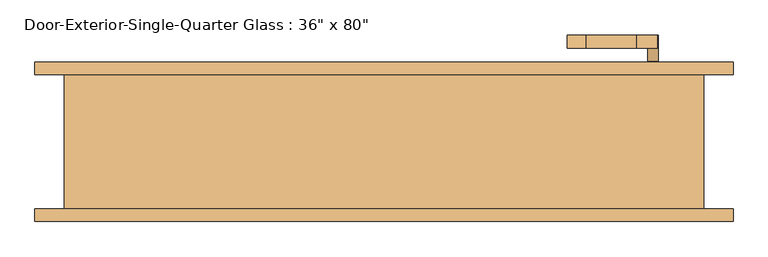
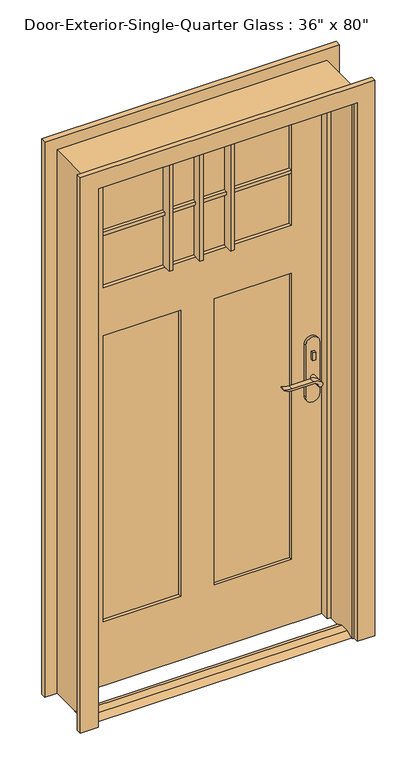
"""IFC4 building model written with IfcOpenShell, lengths in millimetres: door geometry."""

from ifc_helpers import new_model, si_unit, point, frame, frame_2d, origin, place, context, project, spatial, polyline, circle_curve, trimmed, segment, composite_curve, outline, extrude, faceted_brep, source, transform, mapped, element, save


def door_daf617d5(model_context):
    return source(origin(), model_context, "Body", "SolidModel", [
        extrude(outline(polyline([(-38.1, 12.7), (-12.7, 0.0), (-98.425, 0.0), (-73.025, 12.7), (-38.1, 12.7)])), frame((-482.6, 0.0, 0.0), z_axis=(1.0, 0.0, 0.0), x_axis=(0.0, 1.0, 0.0)), (0.0, 0.0, 1.0), 965.2),
        extrude(outline(polyline([(411.4, 43.5), (401.4, 43.5), (401.4, 53.5), (411.4, 53.5), (411.4, 43.5)])), frame((0.0, 0.0, 981.9), z_axis=(0.0, 0.0, 1.0), x_axis=(1.0, 0.0, 0.0)), (0.0, 0.0, 1.0), 30.0),
        extrude(outline(composite_curve([segment(trimmed(circle_curve(frame_2d((996.9, 406.4)), 8.0), [point((996.9, 398.4))], [point((996.9, 414.4))], False, "CARTESIAN"), True, "CONTINUOUS"), segment(trimmed(circle_curve(frame_2d((996.9, 406.4)), 8.0), [point((996.9, 414.4))], [point((996.9, 398.4))], False, "CARTESIAN"), True, "CONTINUOUS")], self_intersect=False)), frame((0.0, 108.425, 0.0), z_axis=(0.0, 1.0, 0.0), x_axis=(0.0, 0.0, 1.0)), (0.0, 0.0, 1.0), 10.0),
        extrude(outline(composite_curve([segment(trimmed(circle_curve(frame_2d((897.1555521, 382.7324871)), 37.2832219), [point((919.0523287, 412.9081363))], [point((934.4, 381.0325667))], False, "CARTESIAN"), True, "CONTINUOUS"), segment(polyline([(934.4, 381.0325667), (934.4, 304.7564091)]), True, "CONTINUOUS"), segment(trimmed(circle_curve(frame_2d((1017.6850638, 304.8227909)), 83.2850902), [point((934.4, 304.7564091))], [point((939.4, 276.4))], True, "CARTESIAN"), True, "CONTINUOUS"), segment(polyline([(939.4, 276.4), (936.6135558, 276.4)]), True, "CONTINUOUS"), segment(trimmed(circle_curve(frame_2d((986.6709207, 308.3396612)), 59.3791355), [point((936.6135558, 276.4))], [point((927.4, 304.7564091))], False, "CARTESIAN"), True, "CONTINUOUS"), segment(polyline([(927.4, 304.7564091), (927.4, 381.0138099)]), True, "CONTINUOUS"), segment(trimmed(circle_curve(frame_2d((909.2738613, 381.0138099)), 18.1261387), [point((927.4, 381.0138099))], [point((914.4, 398.4))], True, "CARTESIAN"), True, "CONTINUOUS"), segment(trimmed(circle_curve(frame_2d((914.4, 406.4)), 8.0), [point((914.4, 398.4))], [point((919.0523287, 412.9081363))], False, "CARTESIAN"), True, "CONTINUOUS")], self_intersect=False)), frame((0.0, 3.5, 0.0), z_axis=(0.0, 1.0, 0.0), x_axis=(0.0, 0.0, 1.0)), (0.0, 0.0, 1.0), 20.0),
        extrude(outline(composite_curve([segment(trimmed(circle_curve(frame_2d((914.4, 406.4)), 8.0), [point((914.3999903, 398.4))], [point((919.0523287, 412.9081363))], False, "CARTESIAN"), True, "CONTINUOUS"), segment(trimmed(circle_curve(frame_2d((897.1555521, 382.7324871)), 37.2832219), [point((919.0523287, 412.9081363))], [point((934.4, 381.0325667))], False, "CARTESIAN"), True, "CONTINUOUS"), segment(polyline([(934.4, 381.0325667), (934.4, 304.7564091)]), True, "CONTINUOUS"), segment(trimmed(circle_curve(frame_2d((1017.6850638, 304.8227909)), 83.2850902), [point((934.4, 304.7564091))], [point((939.4, 276.4))], True, "CARTESIAN"), True, "CONTINUOUS"), segment(polyline([(939.4, 276.4), (936.6135558, 276.4)]), True, "CONTINUOUS"), segment(trimmed(circle_curve(frame_2d((986.6709207, 308.3396612)), 59.3791355), [point((936.6135558, 276.4))], [point((927.4, 304.7564091))], False, "CARTESIAN"), True, "CONTINUOUS"), segment(polyline([(927.4, 304.7564091), (927.4, 381.0138122)]), True, "CONTINUOUS"), segment(trimmed(circle_curve(frame_2d((909.2738682, 381.0138122)), 18.1261318), [point((927.4, 381.0138122))], [point((914.3999903, 398.4))], True, "CARTESIAN"), True, "CONTINUOUS")], self_intersect=False)), frame((0.0, 138.425, 0.0), z_axis=(0.0, 1.0, 0.0), x_axis=(0.0, 0.0, 1.0)), (0.0, 0.0, 1.0), 20.0),
        extrude(outline(composite_curve([segment(trimmed(circle_curve(frame_2d((914.4, 406.4)), 8.0), [point((914.4, 398.4))], [point((914.4, 414.4))], False, "CARTESIAN"), True, "CONTINUOUS"), segment(trimmed(circle_curve(frame_2d((914.4, 406.4)), 8.0), [point((914.4, 414.4))], [point((914.4, 398.4))], False, "CARTESIAN"), True, "CONTINUOUS")], self_intersect=False)), frame((0.0, 23.5, 0.0), z_axis=(0.0, 1.0, 0.0), x_axis=(0.0, 0.0, 1.0)), (0.0, 0.0, 1.0), 30.0),
        extrude(outline(composite_curve([segment(trimmed(circle_curve(frame_2d((914.4, 406.4)), 8.0), [point((914.4, 398.4))], [point((914.4, 414.4))], False, "CARTESIAN"), True, "CONTINUOUS"), segment(trimmed(circle_curve(frame_2d((914.4, 406.4)), 8.0), [point((914.4, 414.4))], [point((914.4, 398.4))], False, "CARTESIAN"), True, "CONTINUOUS")], self_intersect=False)), frame((0.0, 108.425, 0.0), z_axis=(0.0, 1.0, 0.0), x_axis=(0.0, 0.0, 1.0)), (0.0, 0.0, 1.0), 30.0),
        extrude(outline(composite_curve([segment(polyline([(844.4, 431.4), (1039.4, 431.4)]), True, "CONTINUOUS"), segment(trimmed(circle_curve(frame_2d((1039.4, 406.4)), 25.0), [point((1039.4, 431.4))], [point((1039.4, 381.4))], False, "CARTESIAN"), True, "CONTINUOUS"), segment(polyline([(1039.4, 381.4), (844.4, 381.4)]), True, "CONTINUOUS"), segment(trimmed(circle_curve(frame_2d((844.4, 406.4)), 25.0), [point((844.4, 381.4))], [point((844.4, 431.4))], False, "CARTESIAN"), True, "CONTINUOUS")], self_intersect=False)), frame((0.0, 53.5, 0.0), z_axis=(0.0, 1.0, 0.0), x_axis=(0.0, 0.0, 1.0)), (0.0, 0.0, 1.0), 10.0),
        extrude(outline(composite_curve([segment(polyline([(844.4, 431.4), (1039.4, 431.4)]), True, "CONTINUOUS"), segment(trimmed(circle_curve(frame_2d((1039.4, 406.4)), 25.0), [point((1039.4, 431.4))], [point((1039.4, 381.4))], False, "CARTESIAN"), True, "CONTINUOUS"), segment(polyline([(1039.4, 381.4), (844.4, 381.4)]), True, "CONTINUOUS"), segment(trimmed(circle_curve(frame_2d((844.4, 406.4)), 25.0), [point((844.4, 381.4))], [point((844.4, 431.4))], False, "CARTESIAN"), True, "CONTINUOUS")], self_intersect=False)), frame((0.0, 98.425, 0.0), z_axis=(0.0, 1.0, 0.0), x_axis=(0.0, 0.0, 1.0)), (0.0, 0.0, 1.0), 10.0),
        extrude(outline(polyline([(0.0, -527.05), (0.0, -463.55), (2038.35, -463.55), (2038.35, 463.55), (0.0, 463.55), (0.0, 527.05), (2101.85, 527.05), (2101.85, -527.05), (0.0, -527.05)])), frame((0.0, -123.825, 0.0), z_axis=(0.0, 1.0, 0.0), x_axis=(0.0, 0.0, 1.0)), (0.0, 0.0, 1.0), 19.05),
        extrude(outline(polyline([(2032.0, -457.2), (0.0, -457.2), (0.0, 457.2), (2032.0, 457.2), (2032.0, -457.2)]), holes=[polyline([(1504.95, -336.55), (1911.35, -336.55), (1911.35, 336.55), (1504.95, 336.55), (1504.95, -336.55)]), polyline([(1323.975, -60.325), (241.3, -60.325), (241.3, -336.55), (1323.975, -336.55), (1323.975, -60.325)]), polyline([(1323.975, 336.55), (241.3, 336.55), (241.3, 60.325), (1323.975, 60.325), (1323.975, 336.55)])]), frame((0.0, 63.5, 0.0), z_axis=(0.0, 1.0, 0.0), x_axis=(0.0, 0.0, 1.0)), (0.0, 0.0, 1.0), 34.925),
        faceted_brep([(482.6, 98.425, 0.0), (482.6, -104.775, 0.0), (457.2, -104.775, 0.0), (457.2, 28.575, 0.0), (444.5, 28.575, 0.0), (444.5, 63.5, 0.0), (457.2, 63.5, 0.0), (457.2, 98.425, 0.0), (482.6, 98.425, 2057.4), (482.6, -104.775, 2057.4), (-482.6, -104.775, 2057.4), (-482.6, -104.775, 0.0), (-457.2, -104.775, 0.0), (-457.2, -104.775, 2032.0), (457.2, -104.775, 2032.0), (457.2, 28.575, 2032.0), (-457.2, 28.575, 2032.0), (-457.2, 28.575, 0.0), (-444.5, 28.575, 0.0), (-444.5, 28.575, 2019.3), (444.5, 28.575, 2019.3), (444.5, 63.5, 2019.3), (-444.5, 63.5, 2019.3), (-444.5, 63.5, 0.0), (-457.2, 63.5, 0.0), (-457.2, 63.5, 2032.0), (457.2, 63.5, 2032.0), (457.2, 98.425, 2032.0), (-457.2, 98.425, 2032.0), (-457.2, 98.425, 0.0), (-482.6, 98.425, 0.0), (-482.6, 98.425, 2057.4)], [[[0, 1, 2, 3, 4, 5, 6, 7]], [[1, 0, 8, 9]], [[2, 1, 9, 10, 11, 12, 13, 14]], [[3, 2, 14, 15]], [[4, 3, 15, 16, 17, 18, 19, 20]], [[5, 4, 20, 21]], [[6, 5, 21, 22, 23, 24, 25, 26]], [[7, 6, 26, 27]], [[0, 7, 27, 28, 29, 30, 31, 8]], [[9, 8, 31, 10]], [[15, 14, 13, 16]], [[21, 20, 19, 22]], [[27, 26, 25, 28]], [[30, 29, 24, 23, 18, 17, 12, 11]], [[10, 31, 30, 11]], [[16, 13, 12, 17]], [[22, 19, 18, 23]], [[28, 25, 24, 29]]]),
        extrude(outline(polyline([(-60.325, 75.1416667), (-336.55, 75.1416667), (-336.55, 86.7833333), (-60.325, 86.7833333), (-60.325, 75.1416667)])), frame((0.0, 0.0, 241.3), z_axis=(0.0, 0.0, 1.0), x_axis=(1.0, 0.0, 0.0)), (0.0, 0.0, 1.0), 1082.675),
        extrude(outline(polyline([(336.55, 75.1416667), (60.325, 75.1416667), (60.325, 86.7833333), (336.55, 86.7833333), (336.55, 75.1416667)])), frame((0.0, 0.0, 241.3), z_axis=(0.0, 0.0, 1.0), x_axis=(1.0, 0.0, 0.0)), (0.0, 0.0, 1.0), 1082.675),
        extrude(outline(polyline([(336.55, 77.47), (-336.55, 77.47), (-336.55, 84.455), (336.55, 84.455), (336.55, 77.47)])), frame((0.0, 0.0, 1504.95), z_axis=(0.0, 0.0, 1.0), x_axis=(1.0, 0.0, 0.0)), (0.0, 0.0, 1.0), 406.4),
        extrude(outline(polyline([(0.0, -527.05), (0.0, -463.55), (2038.35, -463.55), (2038.35, 463.55), (0.0, 463.55), (0.0, 527.05), (2101.85, 527.05), (2101.85, -527.05), (0.0, -527.05)])), frame((0.0, 98.425, 0.0), z_axis=(0.0, 1.0, 0.0), x_axis=(0.0, 0.0, 1.0)), (0.0, 0.0, 1.0), 19.05),
        extrude(outline(polyline([(6.35, 38.1), (-6.35, 38.1), (-6.35, 73.025), (6.35, 73.025), (6.35, 38.1)])), frame((0.0, 0.0, 1504.95), z_axis=(0.0, 0.0, 1.0), x_axis=(1.0, 0.0, 0.0)), (0.0, 0.0, 1.0), 406.4),
        extrude(outline(polyline([(116.4166667, 38.1), (103.7166667, 38.1), (103.7166667, 73.025), (116.4166667, 73.025), (116.4166667, 38.1)])), frame((0.0, 0.0, 1504.95), z_axis=(0.0, 0.0, 1.0), x_axis=(1.0, 0.0, 0.0)), (0.0, 0.0, 1.0), 406.4),
        extrude(outline(polyline([(-103.7166667, 38.1), (-116.4166667, 38.1), (-116.4166667, 73.025), (-103.7166667, 73.025), (-103.7166667, 38.1)])), frame((0.0, 0.0, 1504.95), z_axis=(0.0, 0.0, 1.0), x_axis=(1.0, 0.0, 0.0)), (0.0, 0.0, 1.0), 406.4),
        extrude(outline(polyline([(336.55, 63.5), (-336.55, 63.5), (-336.55, 98.425), (336.55, 98.425), (336.55, 63.5)])), frame((0.0, 0.0, 1701.8), z_axis=(0.0, 0.0, 1.0), x_axis=(1.0, 0.0, 0.0)), (0.0, 0.0, 1.0), 12.7),
    ])


if __name__ == "__main__":
    model = new_model("IFC4")
    model_context = context("Model", 3, world=origin())
    ifc_project = project(units=[si_unit("LENGTHUNIT", "METRE", prefix="MILLI")], contexts=[model_context])
    site = spatial("IfcSite", under=ifc_project)
    building = spatial("IfcBuilding", under=site)
    placement = place(None, origin())
    door_shape = door_daf617d5(model_context)
    element("IfcDoor", 1, ObjectType="Door-Exterior-Single-Quarter Glass : 36\" x 80\"", at=placement, inside=building, context=model_context, shape_type="MappedRepresentation", body=[
        mapped(door_shape, transform((0.0, 0.0, 0.0), x_axis=(1.0, 0.0, 0.0), y_axis=(0.0, 1.0, 0.0), z_axis=(0.0, 0.0, 1.0))),
    ])
    save(model, "model.ifc")
